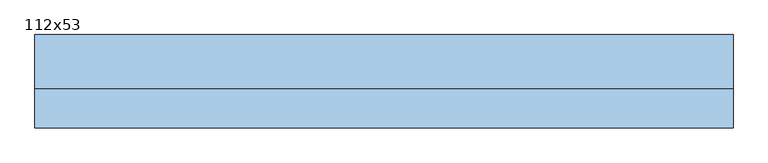
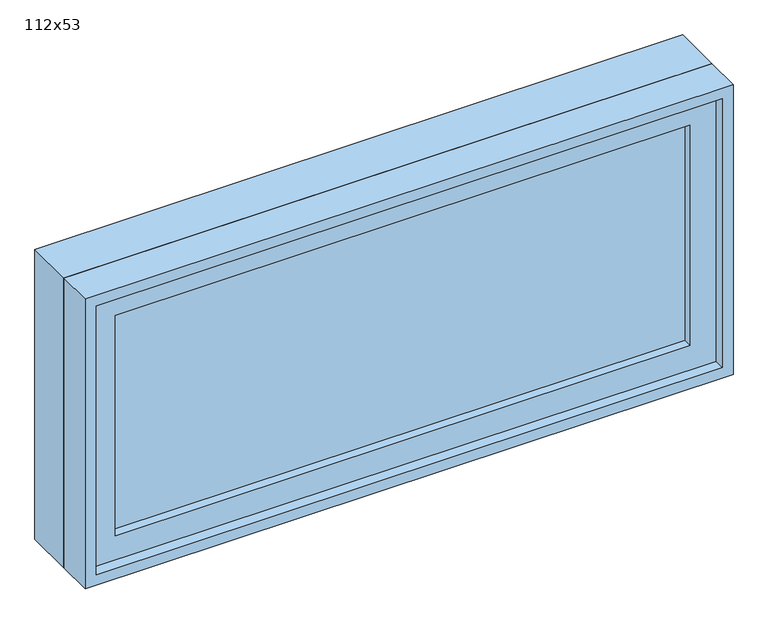
"""IFC4 building model written with IfcOpenShell, lengths in millimetres: window geometry, 112x53."""

from ifc_helpers import new_model, si_unit, frame, origin, place, context, project, spatial, polyline, outline, extrude, source, transform, mapped, element, save


def window_112x53_465b9d78(model_context):
    return source(origin(), model_context, "Body", "SweptSolid", [
        extrude(outline(polyline([(458.4, -27.375), (458.4, -40.075), (-534.6, -40.075), (-534.6, -27.375), (458.4, -27.375)])), frame((0.0, 0.0, 977.9), z_axis=(0.0, 0.0, 1.0), x_axis=(1.0, 0.0, 0.0)), (0.0, 0.0, 1.0), 403.0),
        extrude(outline(polyline([(1425.35, -579.05), (933.45, -579.05), (933.45, 502.85), (1425.35, 502.85), (1425.35, -579.05)]), holes=[polyline([(1380.9, -534.6), (1380.9, 458.4), (977.9, 458.4), (977.9, -534.6), (1380.9, -534.6)])]), frame((0.0, -55.95, 0.0), z_axis=(0.0, 1.0, 0.0), x_axis=(0.0, 0.0, 1.0)), (0.0, 0.0, 1.0), 44.45),
        extrude(outline(polyline([(1444.4, -598.1), (914.4, -598.1), (914.4, 521.9), (1444.4, 521.9), (1444.4, -598.1)]), holes=[polyline([(1412.65, -566.35), (1412.65, 490.15), (946.15, 490.15), (946.15, -566.35), (1412.65, -566.35)])]), frame((0.0, -11.5, 0.0), z_axis=(0.0, 1.0, 0.0), x_axis=(0.0, 0.0, 1.0)), (0.0, 0.0, 1.0), 86.5),
        extrude(outline(polyline([(1444.4, 521.9), (1444.4, -598.1), (914.4, -598.1), (914.4, 521.9), (1444.4, 521.9)]), holes=[polyline([(1425.35, 502.85), (933.45, 502.85), (933.45, -579.05), (1425.35, -579.05), (1425.35, 502.85)])]), frame((0.0, -75.0, 0.0), z_axis=(0.0, 1.0, 0.0), x_axis=(0.0, 0.0, 1.0)), (0.0, 0.0, 1.0), 63.5),
    ])


if __name__ == "__main__":
    model = new_model("IFC4")
    model_context = context("Model", 3, world=origin())
    ifc_project = project(units=[si_unit("LENGTHUNIT", "METRE", prefix="MILLI")], contexts=[model_context])
    site = spatial("IfcSite", under=ifc_project)
    building = spatial("IfcBuilding", under=site)
    placement = place(None, origin())
    window_112x53_shape = window_112x53_465b9d78(model_context)
    element("IfcWindow", 1, ObjectType="112x53", at=placement, inside=building, context=model_context, shape_type="MappedRepresentation", body=[
        mapped(window_112x53_shape, transform((0.0, 0.0, 0.0), x_axis=(1.0, 0.0, 0.0), y_axis=(0.0, 1.0, 0.0), z_axis=(0.0, 0.0, 1.0))),
    ])
    save(model, "model.ifc")
